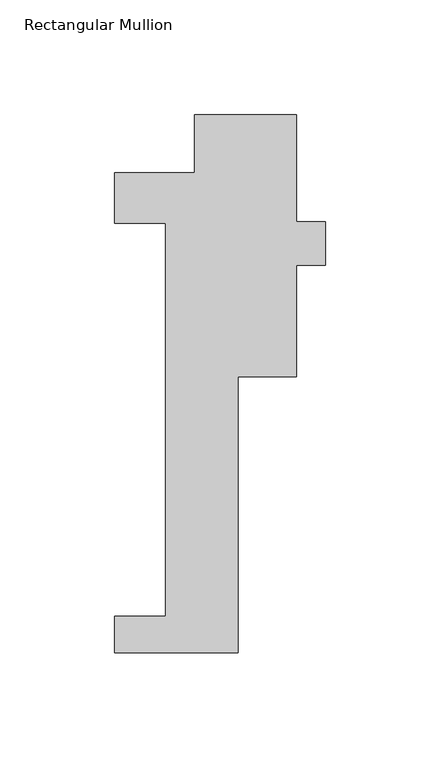
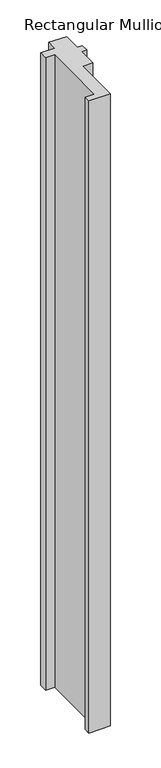
"""IFC4 building model written with IfcOpenShell, lengths in millimetres: member geometry, Rectangular Mullion."""

import ifcopenshell
import ifcopenshell.guid

model = None  # the IFC model being written
_history = None  # IfcOwnerHistory: only IFC2X3 demands one
_inside = {}  # id of a spatial element -> (the spatial element, [elements in it])
_under = {}  # id of a project, library or spatial element -> (it, [spatial elements below it])
_declared = {}  # id of a project -> (the project, [libraries it declares])
_typed = {}  # id of a type object -> (the type object, [elements of that type])
_made_of = {}  # id of a material, layer set ... -> (it, [elements and type objects made of it])


def new_model(schema):
    """Start an empty IFC model of exactly this schema.

    Asked for "IFC4X3", IfcOpenShell would pick the latest addendum, in which some entities
    have other attributes; the version numbers below select the first issue.
    IFC2X3 requires an IfcOwnerHistory on every rooted entity: one is made here for all.
    """
    global model, _history
    if schema == "IFC4X3":
        model = ifcopenshell.file(schema_version=(4, 3, 0, 0))
    else:
        model = ifcopenshell.file(schema=schema)
    _inside.clear()
    _under.clear()
    _declared.clear()
    _typed.clear()
    _made_of.clear()
    _history = None
    if model.schema == "IFC2X3":
        org = make("IfcOrganization", Name="unknown")
        user = make(
            "IfcPersonAndOrganization",
            ThePerson=make("IfcPerson", FamilyName="unknown"),
            TheOrganization=org,
        )
        app = make(
            "IfcApplication",
            ApplicationDeveloper=org,
            Version="unknown",
            ApplicationFullName="unknown",
            ApplicationIdentifier="unknown",
        )
        _history = make(
            "IfcOwnerHistory",
            OwningUser=user,
            OwningApplication=app,
            ChangeAction="ADDED",
            CreationDate=0,
        )
    return model


def make(cls, **values):
    """One entity of the class cls with the attributes given. An attribute that is None is left unset."""
    return model.create_entity(
        cls, **{name: value for name, value in values.items() if value is not None}
    )


def rooted(cls, **values):
    """An entity with a GlobalId (a new one), such as an element, a storey or a relation."""
    return make(cls, GlobalId=ifcopenshell.guid.new(), OwnerHistory=_history, **values)


def si_unit(unit_type, name, prefix=None):
    """IfcSIUnit, for example si_unit("LENGTHUNIT", "METRE", prefix="MILLI")."""
    return make("IfcSIUnit", UnitType=unit_type, Prefix=prefix, Name=name)


def assignment(units):
    """IfcUnitAssignment: the units of a project."""
    return None if units is None else make("IfcUnitAssignment", Units=units)


def point(xyz):
    """IfcCartesianPoint."""
    return None if xyz is None else make("IfcCartesianPoint", Coordinates=xyz)


def direction(xyz):
    """IfcDirection."""
    return None if xyz is None else make("IfcDirection", DirectionRatios=xyz)


def frame(location, z_axis=None, x_axis=None):
    """IfcAxis2Placement3D, a coordinate frame: its origin and axes. An axis left out is left unset."""
    return make(
        "IfcAxis2Placement3D",
        Location=point(location),
        Axis=direction(z_axis),
        RefDirection=direction(x_axis),
    )


def origin():
    """The frame at (0, 0, 0) with its axes left unset."""
    return frame((0.0, 0.0, 0.0))


def place(relative_to, where):
    """IfcLocalPlacement: puts the frame where relative to a parent placement (None: the world)."""
    return make(
        "IfcLocalPlacement", PlacementRelTo=relative_to, RelativePlacement=where
    )


def context(
    kind, dimensions, precision=None, world=None, true_north=None, identifier=None
):
    """IfcGeometricRepresentationContext, for example the 3D "Model" context."""
    return make(
        "IfcGeometricRepresentationContext",
        ContextIdentifier=identifier,
        ContextType=kind,
        CoordinateSpaceDimension=dimensions,
        Precision=precision,
        WorldCoordinateSystem=world,
        TrueNorth=true_north,
    )


def project(units=None, contexts=None):
    """IfcProject with its units and contexts."""
    return rooted(
        "IfcProject",
        Name="project",
        RepresentationContexts=contexts,
        UnitsInContext=assignment(units),
    )


def spatial(cls, under=None, at=None, **own):
    """A site, building, storey or space (cls), placed at a placement, below another one or the project."""
    s = rooted(cls, ObjectPlacement=at, **own)
    if under is not None:
        _under.setdefault(under.id(), (under, []))[1].append(s)
    return s


def polyline(points):
    """IfcPolyline through the points."""
    return make("IfcPolyline", Points=[point(p) for p in points])


def outline(outer, holes=None, kind="AREA"):
    """IfcArbitraryClosedProfileDef: a profile drawn as a closed curve; with holes, ...WithVoids."""
    if holes is None:
        return make("IfcArbitraryClosedProfileDef", ProfileType=kind, OuterCurve=outer)
    return make(
        "IfcArbitraryProfileDefWithVoids",
        ProfileType=kind,
        OuterCurve=outer,
        InnerCurves=holes,
    )


def extrude(swept, where, along, depth):
    """IfcExtrudedAreaSolid: the profile swept, set in the frame where, extruded along a direction by depth."""
    return make(
        "IfcExtrudedAreaSolid",
        SweptArea=swept,
        Position=where,
        ExtrudedDirection=direction(along),
        Depth=depth,
    )


def shape(context_of_items, identifier, shape_type, items):
    """IfcShapeRepresentation: the items that make up one representation, for example the "Body"."""
    return make(
        "IfcShapeRepresentation",
        ContextOfItems=context_of_items,
        RepresentationIdentifier=identifier,
        RepresentationType=shape_type,
        Items=items,
    )


def source(mapping_origin, context_of_items, identifier, shape_type, items):
    """IfcRepresentationMap: a shape defined once, which mapped items show again and again."""
    return make(
        "IfcRepresentationMap",
        MappingOrigin=mapping_origin,
        MappedRepresentation=shape(context_of_items, identifier, shape_type, items),
    )


def transform(
    local_origin,
    x_axis=None,
    y_axis=None,
    z_axis=None,
    scale=None,
    scale2=None,
    scale3=None,
    uniform=True,
):
    """IfcCartesianTransformationOperator3D, or its non-uniform kind. x_axis, y_axis, z_axis: its Axis1, 2, 3."""
    if uniform:
        return make(
            "IfcCartesianTransformationOperator3D",
            Axis1=direction(x_axis),
            Axis2=direction(y_axis),
            LocalOrigin=point(local_origin),
            Scale=scale,
            Axis3=direction(z_axis),
        )
    return make(
        "IfcCartesianTransformationOperator3DnonUniform",
        Axis1=direction(x_axis),
        Axis2=direction(y_axis),
        LocalOrigin=point(local_origin),
        Scale=scale,
        Axis3=direction(z_axis),
        Scale2=scale2,
        Scale3=scale3,
    )


def mapped(mapping_source, mapping_target):
    """IfcMappedItem: shows the shape of a source again, moved by a transform."""
    return make(
        "IfcMappedItem", MappingSource=mapping_source, MappingTarget=mapping_target
    )


def made_of(thing, what):
    """Note that an element or type object is made of a material, layer set ...; save() writes the relation."""
    if what is not None:
        _made_of.setdefault(what.id(), (what, []))[1].append(thing)
    return thing


def element(
    cls,
    number,
    at=None,
    inside=None,
    cuts=None,
    type_object=None,
    material=None,
    context=None,
    identifier="Body",
    shape_type=None,
    held_by="IfcProductDefinitionShape",
    body=None,
    shapes=None,
    **own,
):
    """One element of the class cls, such as IfcWall. Its Tag is "e" and its number.

    at: its placement. inside: the storey or other place that contains it. cuts: it is an
    opening in that element (IfcRelVoidsElement). A single representation is given by context,
    identifier, shape_type and body (its items); several are given by shapes. held_by: the class
    of the entity that holds the representations. save() writes the other relations.
    """
    e = rooted(cls, Tag="e%d" % number, ObjectPlacement=at, **own)
    if body is not None:
        shapes = [shape(context, identifier, shape_type, body)]
    if shapes is not None:
        e.Representation = make(held_by, Representations=shapes)
    if inside is not None:
        _inside.setdefault(inside.id(), (inside, []))[1].append(e)
    if cuts is not None:
        rooted(
            "IfcRelVoidsElement", RelatingBuildingElement=cuts, RelatedOpeningElement=e
        )
    if type_object is not None:
        _typed.setdefault(type_object.id(), (type_object, []))[1].append(e)
    return made_of(e, material)


def aggregate(whole, parts):
    """IfcRelAggregates: a whole, such as a stair, and the parts it consists of."""
    return rooted("IfcRelAggregates", RelatingObject=whole, RelatedObjects=parts)


def save(model, path):
    """Write the relations noted so far, then the file.

    IfcRelAggregates (storeys below a building ...), IfcRelContainedInSpatialStructure (elements
    in a storey), IfcRelDefinesByType, IfcRelAssociatesMaterial and IfcRelDeclares: one each for
    every whole, place, type object, material and project.
    """
    for whole, parts in _under.values():
        aggregate(whole, parts)
    for where, things in _inside.values():
        rooted(
            "IfcRelContainedInSpatialStructure",
            RelatedElements=things,
            RelatingStructure=where,
        )
    for kind, things in _typed.values():
        rooted("IfcRelDefinesByType", RelatedObjects=things, RelatingType=kind)
    for what, things in _made_of.values():
        rooted("IfcRelAssociatesMaterial", RelatedObjects=things, RelatingMaterial=what)
    for by, libraries in _declared.values():
        rooted("IfcRelDeclares", RelatingContext=by, RelatedDefinitions=libraries)
    model.write(path)


def rectangular_mullion_26758797(model_context):
    return source(origin(), model_context, "Body", "SweptSolid", [
        extrude(outline(polyline([(15.875, -221.996), (-38.1, -221.996), (-38.1, -206.121), (-15.875, -206.121), (-15.875, -34.671), (-38.1, -34.671), (-38.1, -12.7), (-3.175, -12.7), (-3.175, 12.7), (41.275, 12.7), (41.275, -34.0209981), (53.9837706, -34.0209981), (53.9837706, -53.0709981), (41.275, -53.0709981), (41.275, -101.6), (15.875, -101.6), (15.875, -221.996)])), frame((0.0, 0.0, -1676.4), z_axis=(0.0, 0.0, 1.0), x_axis=(1.0, 0.0, 0.0)), (0.0, 0.0, 1.0), 1676.4),
    ])


if __name__ == "__main__":
    model = new_model("IFC4")
    model_context = context("Model", 3, world=origin())
    ifc_project = project(units=[si_unit("LENGTHUNIT", "METRE", prefix="MILLI")], contexts=[model_context])
    site = spatial("IfcSite", under=ifc_project)
    building = spatial("IfcBuilding", under=site)
    placement = place(None, origin())
    rectangular_mullion_shape = rectangular_mullion_26758797(model_context)
    element("IfcMember", 1, ObjectType="Rectangular Mullion", at=placement, inside=building, context=model_context, shape_type="MappedRepresentation", body=[
        mapped(rectangular_mullion_shape, transform((0.0, 0.0, 0.0), x_axis=(1.0, 0.0, 0.0), y_axis=(0.0, 1.0, 0.0), z_axis=(0.0, 0.0, 1.0))),
    ])
    save(model, "model.ifc")
